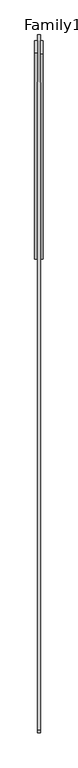
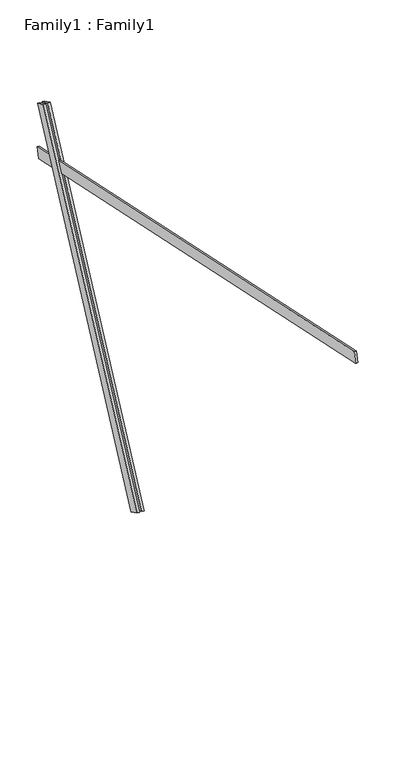
"""IFC4 building model written with IfcOpenShell, lengths in millimetres: proxy geometry, Family1 : Family1."""

import ifcopenshell
import ifcopenshell.guid

model = None  # the IFC model being written
_history = None  # IfcOwnerHistory: only IFC2X3 demands one
_inside = {}  # id of a spatial element -> (the spatial element, [elements in it])
_under = {}  # id of a project, library or spatial element -> (it, [spatial elements below it])
_declared = {}  # id of a project -> (the project, [libraries it declares])
_typed = {}  # id of a type object -> (the type object, [elements of that type])
_made_of = {}  # id of a material, layer set ... -> (it, [elements and type objects made of it])


def new_model(schema):
    """Start an empty IFC model of exactly this schema.

    Asked for "IFC4X3", IfcOpenShell would pick the latest addendum, in which some entities
    have other attributes; the version numbers below select the first issue.
    IFC2X3 requires an IfcOwnerHistory on every rooted entity: one is made here for all.
    """
    global model, _history
    if schema == "IFC4X3":
        model = ifcopenshell.file(schema_version=(4, 3, 0, 0))
    else:
        model = ifcopenshell.file(schema=schema)
    _inside.clear()
    _under.clear()
    _declared.clear()
    _typed.clear()
    _made_of.clear()
    _history = None
    if model.schema == "IFC2X3":
        org = make("IfcOrganization", Name="unknown")
        user = make(
            "IfcPersonAndOrganization",
            ThePerson=make("IfcPerson", FamilyName="unknown"),
            TheOrganization=org,
        )
        app = make(
            "IfcApplication",
            ApplicationDeveloper=org,
            Version="unknown",
            ApplicationFullName="unknown",
            ApplicationIdentifier="unknown",
        )
        _history = make(
            "IfcOwnerHistory",
            OwningUser=user,
            OwningApplication=app,
            ChangeAction="ADDED",
            CreationDate=0,
        )
    return model


def make(cls, **values):
    """One entity of the class cls with the attributes given. An attribute that is None is left unset."""
    return model.create_entity(
        cls, **{name: value for name, value in values.items() if value is not None}
    )


def rooted(cls, **values):
    """An entity with a GlobalId (a new one), such as an element, a storey or a relation."""
    return make(cls, GlobalId=ifcopenshell.guid.new(), OwnerHistory=_history, **values)


def si_unit(unit_type, name, prefix=None):
    """IfcSIUnit, for example si_unit("LENGTHUNIT", "METRE", prefix="MILLI")."""
    return make("IfcSIUnit", UnitType=unit_type, Prefix=prefix, Name=name)


def assignment(units):
    """IfcUnitAssignment: the units of a project."""
    return None if units is None else make("IfcUnitAssignment", Units=units)


def point(xyz):
    """IfcCartesianPoint."""
    return None if xyz is None else make("IfcCartesianPoint", Coordinates=xyz)


def direction(xyz):
    """IfcDirection."""
    return None if xyz is None else make("IfcDirection", DirectionRatios=xyz)


def frame(location, z_axis=None, x_axis=None):
    """IfcAxis2Placement3D, a coordinate frame: its origin and axes. An axis left out is left unset."""
    return make(
        "IfcAxis2Placement3D",
        Location=point(location),
        Axis=direction(z_axis),
        RefDirection=direction(x_axis),
    )


def origin():
    """The frame at (0, 0, 0) with its axes left unset."""
    return frame((0.0, 0.0, 0.0))


def place(relative_to, where):
    """IfcLocalPlacement: puts the frame where relative to a parent placement (None: the world)."""
    return make(
        "IfcLocalPlacement", PlacementRelTo=relative_to, RelativePlacement=where
    )


def context(
    kind, dimensions, precision=None, world=None, true_north=None, identifier=None
):
    """IfcGeometricRepresentationContext, for example the 3D "Model" context."""
    return make(
        "IfcGeometricRepresentationContext",
        ContextIdentifier=identifier,
        ContextType=kind,
        CoordinateSpaceDimension=dimensions,
        Precision=precision,
        WorldCoordinateSystem=world,
        TrueNorth=true_north,
    )


def project(units=None, contexts=None):
    """IfcProject with its units and contexts."""
    return rooted(
        "IfcProject",
        Name="project",
        RepresentationContexts=contexts,
        UnitsInContext=assignment(units),
    )


def spatial(cls, under=None, at=None, **own):
    """A site, building, storey or space (cls), placed at a placement, below another one or the project."""
    s = rooted(cls, ObjectPlacement=at, **own)
    if under is not None:
        _under.setdefault(under.id(), (under, []))[1].append(s)
    return s


def polyline(points):
    """IfcPolyline through the points."""
    return make("IfcPolyline", Points=[point(p) for p in points])


def outline(outer, holes=None, kind="AREA"):
    """IfcArbitraryClosedProfileDef: a profile drawn as a closed curve; with holes, ...WithVoids."""
    if holes is None:
        return make("IfcArbitraryClosedProfileDef", ProfileType=kind, OuterCurve=outer)
    return make(
        "IfcArbitraryProfileDefWithVoids",
        ProfileType=kind,
        OuterCurve=outer,
        InnerCurves=holes,
    )


def extrude(swept, where, along, depth):
    """IfcExtrudedAreaSolid: the profile swept, set in the frame where, extruded along a direction by depth."""
    return make(
        "IfcExtrudedAreaSolid",
        SweptArea=swept,
        Position=where,
        ExtrudedDirection=direction(along),
        Depth=depth,
    )


def shape(context_of_items, identifier, shape_type, items):
    """IfcShapeRepresentation: the items that make up one representation, for example the "Body"."""
    return make(
        "IfcShapeRepresentation",
        ContextOfItems=context_of_items,
        RepresentationIdentifier=identifier,
        RepresentationType=shape_type,
        Items=items,
    )


def source(mapping_origin, context_of_items, identifier, shape_type, items):
    """IfcRepresentationMap: a shape defined once, which mapped items show again and again."""
    return make(
        "IfcRepresentationMap",
        MappingOrigin=mapping_origin,
        MappedRepresentation=shape(context_of_items, identifier, shape_type, items),
    )


def transform(
    local_origin,
    x_axis=None,
    y_axis=None,
    z_axis=None,
    scale=None,
    scale2=None,
    scale3=None,
    uniform=True,
):
    """IfcCartesianTransformationOperator3D, or its non-uniform kind. x_axis, y_axis, z_axis: its Axis1, 2, 3."""
    if uniform:
        return make(
            "IfcCartesianTransformationOperator3D",
            Axis1=direction(x_axis),
            Axis2=direction(y_axis),
            LocalOrigin=point(local_origin),
            Scale=scale,
            Axis3=direction(z_axis),
        )
    return make(
        "IfcCartesianTransformationOperator3DnonUniform",
        Axis1=direction(x_axis),
        Axis2=direction(y_axis),
        LocalOrigin=point(local_origin),
        Scale=scale,
        Axis3=direction(z_axis),
        Scale2=scale2,
        Scale3=scale3,
    )


def mapped(mapping_source, mapping_target):
    """IfcMappedItem: shows the shape of a source again, moved by a transform."""
    return make(
        "IfcMappedItem", MappingSource=mapping_source, MappingTarget=mapping_target
    )


def made_of(thing, what):
    """Note that an element or type object is made of a material, layer set ...; save() writes the relation."""
    if what is not None:
        _made_of.setdefault(what.id(), (what, []))[1].append(thing)
    return thing


def element(
    cls,
    number,
    at=None,
    inside=None,
    cuts=None,
    type_object=None,
    material=None,
    context=None,
    identifier="Body",
    shape_type=None,
    held_by="IfcProductDefinitionShape",
    body=None,
    shapes=None,
    **own,
):
    """One element of the class cls, such as IfcWall. Its Tag is "e" and its number.

    at: its placement. inside: the storey or other place that contains it. cuts: it is an
    opening in that element (IfcRelVoidsElement). A single representation is given by context,
    identifier, shape_type and body (its items); several are given by shapes. held_by: the class
    of the entity that holds the representations. save() writes the other relations.
    """
    e = rooted(cls, Tag="e%d" % number, ObjectPlacement=at, **own)
    if body is not None:
        shapes = [shape(context, identifier, shape_type, body)]
    if shapes is not None:
        e.Representation = make(held_by, Representations=shapes)
    if inside is not None:
        _inside.setdefault(inside.id(), (inside, []))[1].append(e)
    if cuts is not None:
        rooted(
            "IfcRelVoidsElement", RelatingBuildingElement=cuts, RelatedOpeningElement=e
        )
    if type_object is not None:
        _typed.setdefault(type_object.id(), (type_object, []))[1].append(e)
    return made_of(e, material)


def aggregate(whole, parts):
    """IfcRelAggregates: a whole, such as a stair, and the parts it consists of."""
    return rooted("IfcRelAggregates", RelatingObject=whole, RelatedObjects=parts)


def save(model, path):
    """Write the relations noted so far, then the file.

    IfcRelAggregates (storeys below a building ...), IfcRelContainedInSpatialStructure (elements
    in a storey), IfcRelDefinesByType, IfcRelAssociatesMaterial and IfcRelDeclares: one each for
    every whole, place, type object, material and project.
    """
    for whole, parts in _under.values():
        aggregate(whole, parts)
    for where, things in _inside.values():
        rooted(
            "IfcRelContainedInSpatialStructure",
            RelatedElements=things,
            RelatingStructure=where,
        )
    for kind, things in _typed.values():
        rooted("IfcRelDefinesByType", RelatedObjects=things, RelatingType=kind)
    for what, things in _made_of.values():
        rooted("IfcRelAssociatesMaterial", RelatedObjects=things, RelatingMaterial=what)
    for by, libraries in _declared.values():
        rooted("IfcRelDeclares", RelatingContext=by, RelatedDefinitions=libraries)
    model.write(path)


def family1_family1_08a48056(model_context):
    return source(origin(), model_context, "Body", "SweptSolid", [
        extrude(outline(polyline([(0.0, 0.0), (0.0, -20.0), (-100.0000001, -20.0), (-100.0000001, 0.0), (0.0, 0.0)])), frame((-30.0, 46.3241747, -22.5938096), z_axis=(0.0, 0.4383711467890692, 0.8987940462991711), x_axis=(0.0, 0.8987940462991711, -0.4383711467890692)), (0.0, 0.0, 1.0), 3300.0),
        extrude(outline(polyline([(0.0, 0.0), (0.0, -20.0), (-99.9999999, -20.0), (-99.9999999, 0.0), (0.0, 0.0)])), frame((10.0, 45.270232, -22.0797674), z_axis=(0.0, 0.4383711467890692, 0.8987940462991711), x_axis=(0.0, 0.8987940462991711, -0.4383711467890692)), (0.0, 0.0, 1.0), 3300.0),
        extrude(outline(polyline([(0.0, -20.0), (0.0, 0.0), (5000.0, 0.0), (5000.0, -20.0), (0.0, -20.0)])), frame((-10.0, -3378.5505208, 3444.5396404), z_axis=(0.0, 0.2079116908177618, 0.9781476007338052), x_axis=(0.0, 0.9781476007338052, -0.2079116908177618)), (0.0, 0.0, 1.0), 100.0),
    ])


if __name__ == "__main__":
    model = new_model("IFC4")
    model_context = context("Model", 3, world=origin())
    ifc_project = project(units=[si_unit("LENGTHUNIT", "METRE", prefix="MILLI")], contexts=[model_context])
    site = spatial("IfcSite", under=ifc_project)
    building = spatial("IfcBuilding", under=site)
    placement = place(None, origin())
    family1_family1_shape = family1_family1_08a48056(model_context)
    element("IfcBuildingElementProxy", 1, Name="Family1 : Family1", ObjectType="Family1 : Family1", at=placement, inside=building, context=model_context, shape_type="MappedRepresentation", body=[
        mapped(family1_family1_shape, transform((0.0, 0.0, 0.0), x_axis=(1.0, 0.0, 0.0), y_axis=(0.0, 1.0, 0.0), z_axis=(0.0, 0.0, 1.0))),
    ])
    save(model, "model.ifc")
